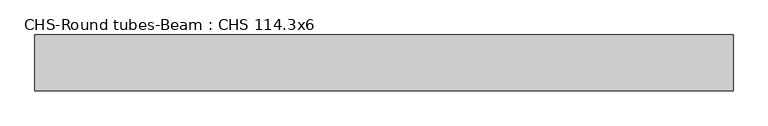
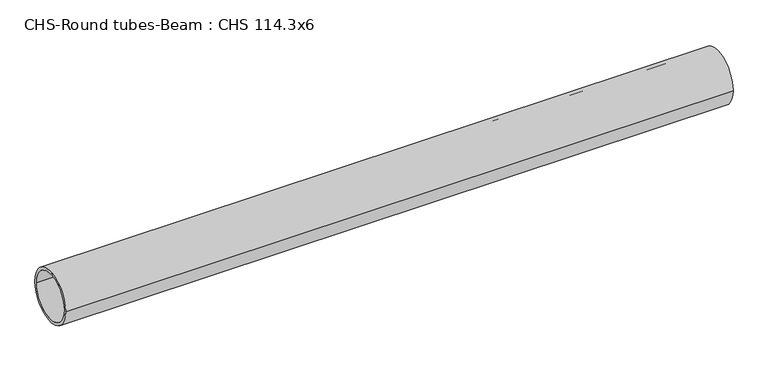
"""IFC4 building model written with IfcOpenShell, lengths in millimetres: beam geometry, CHS-Round tubes-Beam : CHS 114.3x6."""

from ifc_helpers import new_model, si_unit, point, frame, origin, origin_2d, place, context, project, spatial, circle_curve, trimmed, segment, composite_curve, outline, extrude, source, transform, mapped, element, save


def chs_round_tubes_beam_chs_114_3x6_da797b50(model_context):
    return source(origin(), model_context, "Body", "SweptSolid", [
        extrude(outline(composite_curve([segment(trimmed(circle_curve(origin_2d(), 57.15), [point((57.15, 0.0))], [point((-57.15, 0.0))], False, "CARTESIAN"), True, "CONTINUOUS"), segment(trimmed(circle_curve(origin_2d(), 57.15), [point((-57.15, 0.0))], [point((57.15, 0.0))], False, "CARTESIAN"), True, "CONTINUOUS")], self_intersect=False), holes=[composite_curve([segment(trimmed(circle_curve(origin_2d(), 51.15), [point((51.15, 0.0))], [point((-51.15, 0.0))], True, "CARTESIAN"), True, "CONTINUOUS"), segment(trimmed(circle_curve(origin_2d(), 51.15), [point((-51.15, 0.0))], [point((51.15, 0.0))], True, "CARTESIAN"), True, "CONTINUOUS")], self_intersect=False)]), frame((-702.4623149, 0.0, 0.0), z_axis=(1.0, 0.0, 0.0), x_axis=(0.0, 1.0, 0.0)), (0.0, 0.0, 1.0), 1431.3183376),
    ])


if __name__ == "__main__":
    model = new_model("IFC4")
    model_context = context("Model", 3, world=origin())
    ifc_project = project(units=[si_unit("LENGTHUNIT", "METRE", prefix="MILLI")], contexts=[model_context])
    site = spatial("IfcSite", under=ifc_project)
    building = spatial("IfcBuilding", under=site)
    placement = place(None, origin())
    chs_round_tubes_beam_chs_114_3x6_shape = chs_round_tubes_beam_chs_114_3x6_da797b50(model_context)
    element("IfcBeam", 1, ObjectType="CHS-Round tubes-Beam : CHS 114.3x6", at=placement, inside=building, context=model_context, shape_type="MappedRepresentation", body=[
        mapped(chs_round_tubes_beam_chs_114_3x6_shape, transform((0.0, 0.0, 0.0), x_axis=(1.0, 0.0, 0.0), y_axis=(0.0, 1.0, 0.0), z_axis=(0.0, 0.0, 1.0))),
    ])
    save(model, "model.ifc")
